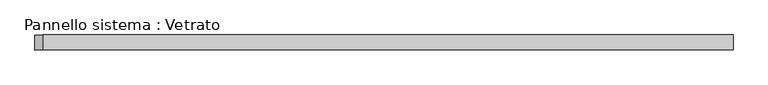
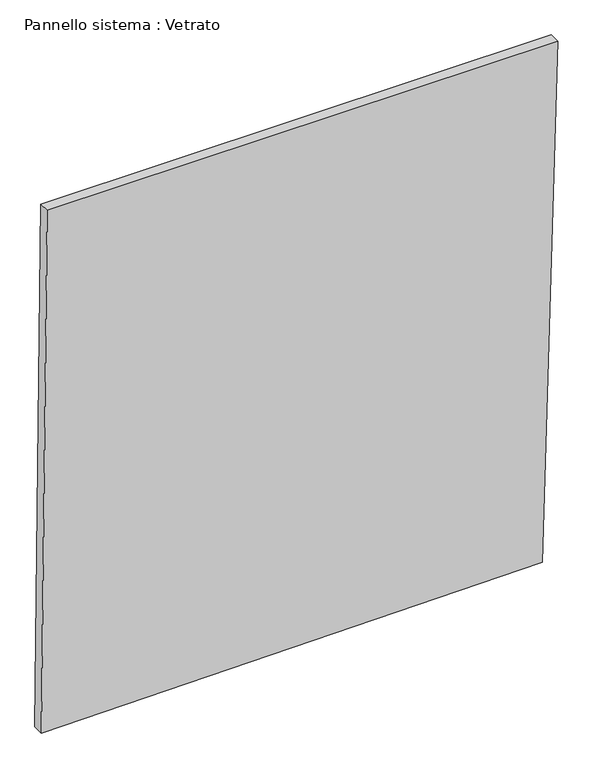
"""IFC4 building model written with IfcOpenShell, lengths in millimetres: plate geometry, Pannello sistema : Vetrato."""

from ifc_helpers import new_model, si_unit, frame, origin, place, context, project, spatial, polyline, outline, extrude, source, transform, mapped, element, save


def pannello_sistema_vetrato_771bd05e(model_context):
    return source(origin(), model_context, "Body", "SweptSolid", [
        extrude(outline(polyline([(0.0, -696.8506055), (13.6351155, 655.1342183), (1485.9282107, 696.8506055), (1485.9282107, -681.4042501), (0.0, -696.8506055)])), frame((0.0, -15.0, 0.0), z_axis=(0.0, 1.0, 0.0), x_axis=(0.0, 0.0, 1.0)), (0.0, 0.0, 1.0), 30.0),
    ])


if __name__ == "__main__":
    model = new_model("IFC4")
    model_context = context("Model", 3, world=origin())
    ifc_project = project(units=[si_unit("LENGTHUNIT", "METRE", prefix="MILLI")], contexts=[model_context])
    site = spatial("IfcSite", under=ifc_project)
    building = spatial("IfcBuilding", under=site)
    placement = place(None, origin())
    pannello_sistema_vetrato_shape = pannello_sistema_vetrato_771bd05e(model_context)
    element("IfcPlate", 1, ObjectType="Pannello sistema : Vetrato", at=placement, inside=building, context=model_context, shape_type="MappedRepresentation", body=[
        mapped(pannello_sistema_vetrato_shape, transform((0.0, 0.0, 0.0), x_axis=(1.0, 0.0, 0.0), y_axis=(0.0, 1.0, 0.0), z_axis=(0.0, 0.0, 1.0))),
    ])
    save(model, "model.ifc")
